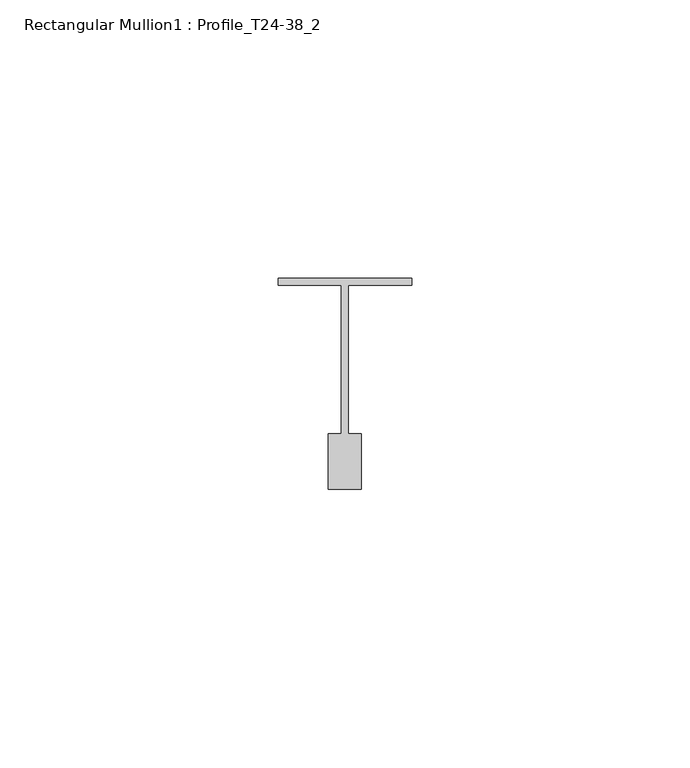
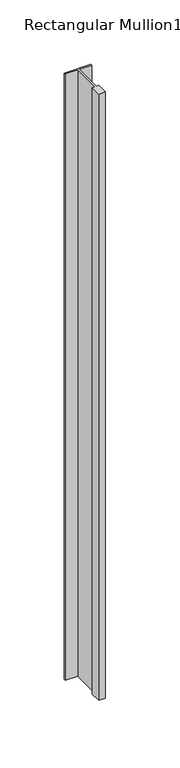
"""IFC4 building model written with IfcOpenShell, lengths in millimetres: member geometry, Rectangular Mullion1 : Profile_T24-38_2."""

import ifcopenshell
import ifcopenshell.guid

model = None  # the IFC model being written
_history = None  # IfcOwnerHistory: only IFC2X3 demands one
_inside = {}  # id of a spatial element -> (the spatial element, [elements in it])
_under = {}  # id of a project, library or spatial element -> (it, [spatial elements below it])
_declared = {}  # id of a project -> (the project, [libraries it declares])
_typed = {}  # id of a type object -> (the type object, [elements of that type])
_made_of = {}  # id of a material, layer set ... -> (it, [elements and type objects made of it])


def new_model(schema):
    """Start an empty IFC model of exactly this schema.

    Asked for "IFC4X3", IfcOpenShell would pick the latest addendum, in which some entities
    have other attributes; the version numbers below select the first issue.
    IFC2X3 requires an IfcOwnerHistory on every rooted entity: one is made here for all.
    """
    global model, _history
    if schema == "IFC4X3":
        model = ifcopenshell.file(schema_version=(4, 3, 0, 0))
    else:
        model = ifcopenshell.file(schema=schema)
    _inside.clear()
    _under.clear()
    _declared.clear()
    _typed.clear()
    _made_of.clear()
    _history = None
    if model.schema == "IFC2X3":
        org = make("IfcOrganization", Name="unknown")
        user = make(
            "IfcPersonAndOrganization",
            ThePerson=make("IfcPerson", FamilyName="unknown"),
            TheOrganization=org,
        )
        app = make(
            "IfcApplication",
            ApplicationDeveloper=org,
            Version="unknown",
            ApplicationFullName="unknown",
            ApplicationIdentifier="unknown",
        )
        _history = make(
            "IfcOwnerHistory",
            OwningUser=user,
            OwningApplication=app,
            ChangeAction="ADDED",
            CreationDate=0,
        )
    return model


def make(cls, **values):
    """One entity of the class cls with the attributes given. An attribute that is None is left unset."""
    return model.create_entity(
        cls, **{name: value for name, value in values.items() if value is not None}
    )


def rooted(cls, **values):
    """An entity with a GlobalId (a new one), such as an element, a storey or a relation."""
    return make(cls, GlobalId=ifcopenshell.guid.new(), OwnerHistory=_history, **values)


def si_unit(unit_type, name, prefix=None):
    """IfcSIUnit, for example si_unit("LENGTHUNIT", "METRE", prefix="MILLI")."""
    return make("IfcSIUnit", UnitType=unit_type, Prefix=prefix, Name=name)


def assignment(units):
    """IfcUnitAssignment: the units of a project."""
    return None if units is None else make("IfcUnitAssignment", Units=units)


def point(xyz):
    """IfcCartesianPoint."""
    return None if xyz is None else make("IfcCartesianPoint", Coordinates=xyz)


def direction(xyz):
    """IfcDirection."""
    return None if xyz is None else make("IfcDirection", DirectionRatios=xyz)


def frame(location, z_axis=None, x_axis=None):
    """IfcAxis2Placement3D, a coordinate frame: its origin and axes. An axis left out is left unset."""
    return make(
        "IfcAxis2Placement3D",
        Location=point(location),
        Axis=direction(z_axis),
        RefDirection=direction(x_axis),
    )


def origin():
    """The frame at (0, 0, 0) with its axes left unset."""
    return frame((0.0, 0.0, 0.0))


def place(relative_to, where):
    """IfcLocalPlacement: puts the frame where relative to a parent placement (None: the world)."""
    return make(
        "IfcLocalPlacement", PlacementRelTo=relative_to, RelativePlacement=where
    )


def context(
    kind, dimensions, precision=None, world=None, true_north=None, identifier=None
):
    """IfcGeometricRepresentationContext, for example the 3D "Model" context."""
    return make(
        "IfcGeometricRepresentationContext",
        ContextIdentifier=identifier,
        ContextType=kind,
        CoordinateSpaceDimension=dimensions,
        Precision=precision,
        WorldCoordinateSystem=world,
        TrueNorth=true_north,
    )


def project(units=None, contexts=None):
    """IfcProject with its units and contexts."""
    return rooted(
        "IfcProject",
        Name="project",
        RepresentationContexts=contexts,
        UnitsInContext=assignment(units),
    )


def spatial(cls, under=None, at=None, **own):
    """A site, building, storey or space (cls), placed at a placement, below another one or the project."""
    s = rooted(cls, ObjectPlacement=at, **own)
    if under is not None:
        _under.setdefault(under.id(), (under, []))[1].append(s)
    return s


def polyline(points):
    """IfcPolyline through the points."""
    return make("IfcPolyline", Points=[point(p) for p in points])


def outline(outer, holes=None, kind="AREA"):
    """IfcArbitraryClosedProfileDef: a profile drawn as a closed curve; with holes, ...WithVoids."""
    if holes is None:
        return make("IfcArbitraryClosedProfileDef", ProfileType=kind, OuterCurve=outer)
    return make(
        "IfcArbitraryProfileDefWithVoids",
        ProfileType=kind,
        OuterCurve=outer,
        InnerCurves=holes,
    )


def extrude(swept, where, along, depth):
    """IfcExtrudedAreaSolid: the profile swept, set in the frame where, extruded along a direction by depth."""
    return make(
        "IfcExtrudedAreaSolid",
        SweptArea=swept,
        Position=where,
        ExtrudedDirection=direction(along),
        Depth=depth,
    )


def shape(context_of_items, identifier, shape_type, items):
    """IfcShapeRepresentation: the items that make up one representation, for example the "Body"."""
    return make(
        "IfcShapeRepresentation",
        ContextOfItems=context_of_items,
        RepresentationIdentifier=identifier,
        RepresentationType=shape_type,
        Items=items,
    )


def source(mapping_origin, context_of_items, identifier, shape_type, items):
    """IfcRepresentationMap: a shape defined once, which mapped items show again and again."""
    return make(
        "IfcRepresentationMap",
        MappingOrigin=mapping_origin,
        MappedRepresentation=shape(context_of_items, identifier, shape_type, items),
    )


def transform(
    local_origin,
    x_axis=None,
    y_axis=None,
    z_axis=None,
    scale=None,
    scale2=None,
    scale3=None,
    uniform=True,
):
    """IfcCartesianTransformationOperator3D, or its non-uniform kind. x_axis, y_axis, z_axis: its Axis1, 2, 3."""
    if uniform:
        return make(
            "IfcCartesianTransformationOperator3D",
            Axis1=direction(x_axis),
            Axis2=direction(y_axis),
            LocalOrigin=point(local_origin),
            Scale=scale,
            Axis3=direction(z_axis),
        )
    return make(
        "IfcCartesianTransformationOperator3DnonUniform",
        Axis1=direction(x_axis),
        Axis2=direction(y_axis),
        LocalOrigin=point(local_origin),
        Scale=scale,
        Axis3=direction(z_axis),
        Scale2=scale2,
        Scale3=scale3,
    )


def mapped(mapping_source, mapping_target):
    """IfcMappedItem: shows the shape of a source again, moved by a transform."""
    return make(
        "IfcMappedItem", MappingSource=mapping_source, MappingTarget=mapping_target
    )


def made_of(thing, what):
    """Note that an element or type object is made of a material, layer set ...; save() writes the relation."""
    if what is not None:
        _made_of.setdefault(what.id(), (what, []))[1].append(thing)
    return thing


def element(
    cls,
    number,
    at=None,
    inside=None,
    cuts=None,
    type_object=None,
    material=None,
    context=None,
    identifier="Body",
    shape_type=None,
    held_by="IfcProductDefinitionShape",
    body=None,
    shapes=None,
    **own,
):
    """One element of the class cls, such as IfcWall. Its Tag is "e" and its number.

    at: its placement. inside: the storey or other place that contains it. cuts: it is an
    opening in that element (IfcRelVoidsElement). A single representation is given by context,
    identifier, shape_type and body (its items); several are given by shapes. held_by: the class
    of the entity that holds the representations. save() writes the other relations.
    """
    e = rooted(cls, Tag="e%d" % number, ObjectPlacement=at, **own)
    if body is not None:
        shapes = [shape(context, identifier, shape_type, body)]
    if shapes is not None:
        e.Representation = make(held_by, Representations=shapes)
    if inside is not None:
        _inside.setdefault(inside.id(), (inside, []))[1].append(e)
    if cuts is not None:
        rooted(
            "IfcRelVoidsElement", RelatingBuildingElement=cuts, RelatedOpeningElement=e
        )
    if type_object is not None:
        _typed.setdefault(type_object.id(), (type_object, []))[1].append(e)
    return made_of(e, material)


def aggregate(whole, parts):
    """IfcRelAggregates: a whole, such as a stair, and the parts it consists of."""
    return rooted("IfcRelAggregates", RelatingObject=whole, RelatedObjects=parts)


def save(model, path):
    """Write the relations noted so far, then the file.

    IfcRelAggregates (storeys below a building ...), IfcRelContainedInSpatialStructure (elements
    in a storey), IfcRelDefinesByType, IfcRelAssociatesMaterial and IfcRelDeclares: one each for
    every whole, place, type object, material and project.
    """
    for whole, parts in _under.values():
        aggregate(whole, parts)
    for where, things in _inside.values():
        rooted(
            "IfcRelContainedInSpatialStructure",
            RelatedElements=things,
            RelatingStructure=where,
        )
    for kind, things in _typed.values():
        rooted("IfcRelDefinesByType", RelatedObjects=things, RelatingType=kind)
    for what, things in _made_of.values():
        rooted("IfcRelAssociatesMaterial", RelatedObjects=things, RelatingMaterial=what)
    for by, libraries in _declared.values():
        rooted("IfcRelDeclares", RelatingContext=by, RelatedDefinitions=libraries)
    model.write(path)


def rectangular_mullion1_profile_t24_38_2_da7d16bc(model_context):
    return source(origin(), model_context, "Body", "SweptSolid", [
        extrude(outline(polyline([(-24.0, -0.5), (0.0, -0.5), (0.0, -1.75), (-11.4, -1.75), (-11.4, -28.5), (-9.0, -28.5), (-9.0, -38.5), (-15.0, -38.5), (-15.0, -28.5), (-12.6, -28.5), (-12.6, -1.75), (-24.0, -1.75), (-24.0, -0.5)])), frame((0.0, 0.0, -576.0), z_axis=(0.0, 0.0, 1.0), x_axis=(1.0, 0.0, 0.0)), (0.0, 0.0, 1.0), 576.0),
    ])


if __name__ == "__main__":
    model = new_model("IFC4")
    model_context = context("Model", 3, world=origin())
    ifc_project = project(units=[si_unit("LENGTHUNIT", "METRE", prefix="MILLI")], contexts=[model_context])
    site = spatial("IfcSite", under=ifc_project)
    building = spatial("IfcBuilding", under=site)
    placement = place(None, origin())
    rectangular_mullion1_profile_t24_38_2_shape = rectangular_mullion1_profile_t24_38_2_da7d16bc(model_context)
    element("IfcMember", 1, ObjectType="Rectangular Mullion1 : Profile_T24-38_2", at=placement, inside=building, context=model_context, shape_type="MappedRepresentation", body=[
        mapped(rectangular_mullion1_profile_t24_38_2_shape, transform((0.0, 0.0, 0.0), x_axis=(1.0, 0.0, 0.0), y_axis=(0.0, 1.0, 0.0), z_axis=(0.0, 0.0, 1.0))),
    ])
    save(model, "model.ifc")
